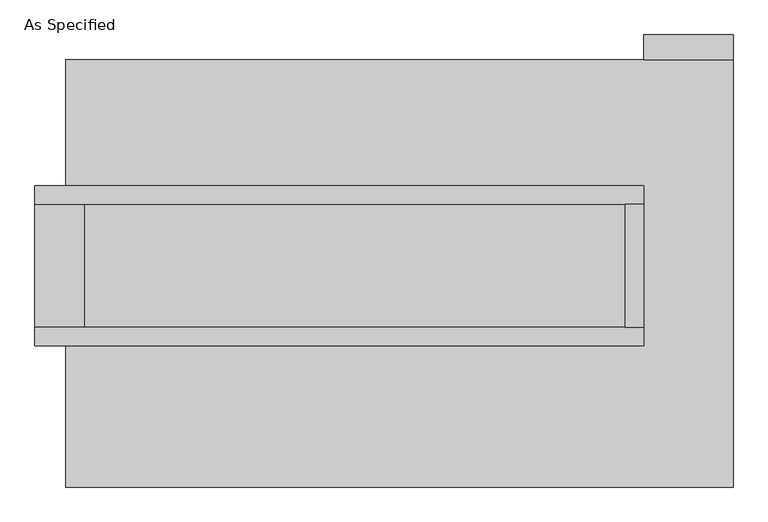
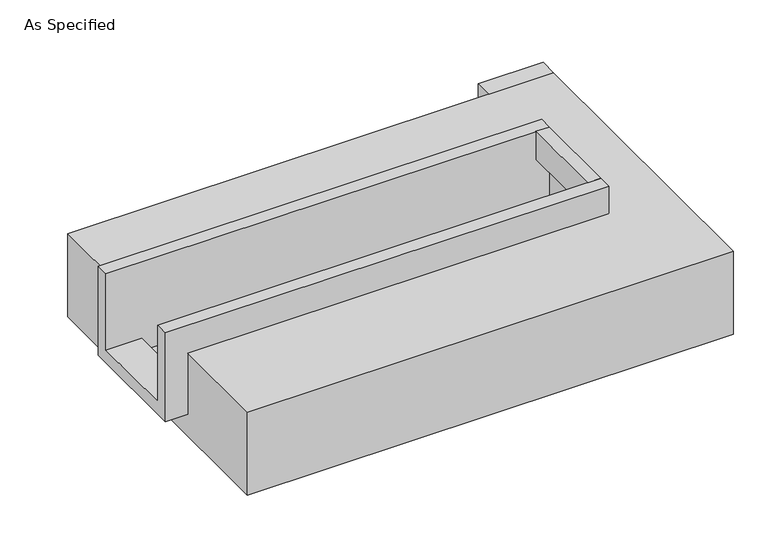
"""IFC4 building model written with IfcOpenShell, lengths in millimetres: proxy geometry, As Specified."""

from ifc_helpers import new_model, si_unit, frame, origin, place, context, project, spatial, polyline, outline, extrude, faceted_brep, source, transform, mapped, element, save


def as_specified_be3a25d2(model_context):
    return source(origin(), model_context, "Body", "SolidModel", [
        extrude(outline(polyline([(1479.55, 882.65), (1111.25, 882.65), (1111.25, 984.25), (1479.55, 984.25), (1479.55, 882.65)])), frame((0.0, 0.0, -523.9742188), z_axis=(0.0, 0.0, 1.0), x_axis=(1.0, 0.0, 0.0)), (0.0, 0.0, 1.0), 498.5742188),
        extrude(outline(polyline([(1035.05, 285.75), (1111.25, 285.75), (1111.25, -222.25), (1035.05, -222.25), (1035.05, 285.75)])), frame((0.0, 0.0, -25.4), z_axis=(0.0, 0.0, 1.0), x_axis=(1.0, 0.0, 0.0)), (0.0, 0.0, 1.0), 165.1),
        faceted_brep([(1111.25, 285.75, 139.7), (1111.25, 285.75, -317.5), (1111.25, -222.25, -317.5), (1111.25, -222.25, 139.7), (1111.25, -298.45, 139.7), (1111.25, -298.45, -393.7), (1111.25, 361.95, -393.7), (1111.25, 361.95, 139.7), (-1403.35, 285.75, 139.7), (-1403.35, 361.95, 139.7), (-1403.35, 361.95, -393.7), (-1403.35, -298.45, -393.7), (-1403.35, -298.45, 139.7), (-1403.35, -222.25, 139.7), (-1403.35, -222.25, -317.5), (-1403.35, 285.75, -317.5), (-1200.15, 285.75, -393.7), (-1200.15, -222.25, -393.7), (1035.05, -222.25, -393.7), (1035.05, 285.75, -393.7), (1035.05, -222.25, -317.5), (-1200.15, -222.25, -317.5), (1035.05, 285.75, -317.5), (-1200.15, 285.75, -317.5)], [[[0, 1, 2, 3, 4, 5, 6, 7]], [[8, 9, 10, 11, 12, 13, 14, 15]], [[0, 7, 9, 8]], [[7, 6, 10, 9]], [[6, 5, 11, 10], [16, 17, 18, 19]], [[4, 3, 13, 12]], [[3, 2, 20, 18, 17, 21, 14, 13]], [[2, 1, 22, 20]], [[15, 14, 21, 23]], [[1, 0, 8, 15, 23, 16, 19, 22]], [[21, 17, 16, 23]], [[18, 20, 22, 19]], [[5, 4, 12, 11]]]),
        faceted_brep([(1479.55, 882.65, -523.9742188), (1479.55, -882.65, -523.9742188), (-1276.35, -882.65, -523.9742188), (-1276.35, 882.65, -523.9742188), (-1276.35, 882.65, -25.4), (-1276.35, 361.95, -25.4), (1111.25, 361.95, -25.4), (1111.25, -298.45, -25.4), (-1276.35, -298.45, -25.4), (-1276.35, -882.65, -25.4), (1479.55, -882.65, -25.4), (1479.55, 882.65, -25.4), (-1276.35, -298.45, -393.7), (-1276.35, 361.95, -393.7), (1111.25, 361.95, -393.7), (1111.25, -298.45, -393.7)], [[[0, 1, 2, 3]], [[4, 5, 6, 7, 8, 9, 10, 11]], [[0, 3, 4, 11]], [[4, 3, 2, 9, 8, 12, 13, 5]], [[2, 1, 10, 9]], [[14, 15, 7, 6]], [[13, 14, 6, 5]], [[15, 14, 13, 12]], [[15, 12, 8, 7]], [[1, 0, 11, 10]]]),
    ])


if __name__ == "__main__":
    model = new_model("IFC4")
    model_context = context("Model", 3, world=origin())
    ifc_project = project(units=[si_unit("LENGTHUNIT", "METRE", prefix="MILLI")], contexts=[model_context])
    site = spatial("IfcSite", under=ifc_project)
    building = spatial("IfcBuilding", under=site)
    placement = place(None, origin())
    as_specified_shape = as_specified_be3a25d2(model_context)
    element("IfcBuildingElementProxy", 1, Name="As Specified", ObjectType="As Specified", at=placement, inside=building, context=model_context, shape_type="MappedRepresentation", body=[
        mapped(as_specified_shape, transform((0.0, 0.0, 0.0), x_axis=(1.0, 0.0, 0.0), y_axis=(0.0, 1.0, 0.0), z_axis=(0.0, 0.0, 1.0))),
    ])
    save(model, "model.ifc")
